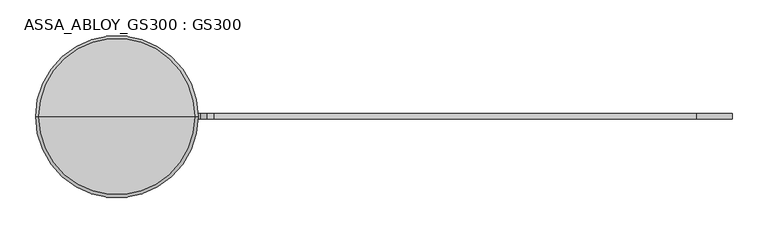
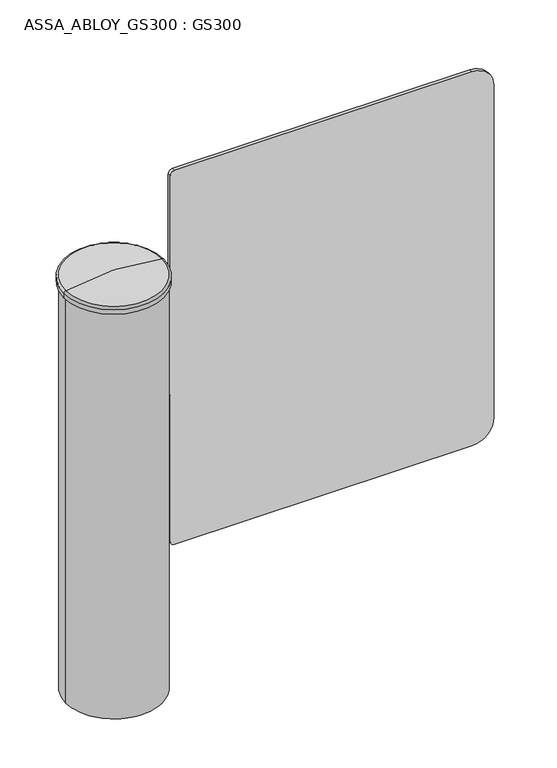
"""IFC4 building model written with IfcOpenShell, lengths in millimetres: proxy geometry, ASSA_ABLOY_GS300 : GS300."""

from ifc_helpers import new_model, si_unit, point, frame, frame_2d, origin, origin_with_axes, origin_2d, place, context, project, spatial, polyline, circle_curve, ellipse_curve, trimmed, segment, composite_curve, outline, extrude, source, transform, mapped, element, save
from ifc_brep_helpers import plane_surface, cylinder_surface, revolved_surface, advanced_brep


def assa_abloy_gs300_gs300_73ec193e(model_context):
    return source(origin(), model_context, "Body", "SolidModel", [
        advanced_brep(
        [(-109.55, 0.0, 979.0), (109.55, 0.0, 979.0), (-109.55, 0.0, 2.0), (109.55, 0.0, 2.0), (109.55, 0.0, 666.0), (109.3261291, -7.0, 666.0), (109.3261291, -7.0, 936.0), (109.55, 0.0, 936.0), (109.3261291, 7.0, 936.0), (109.3261291, 7.0, 666.0)],
        [
            (0, 1, circle_curve(frame((0.0, 0.0, 979.0), z_axis=(0.0, 0.0, 1.0), x_axis=(1.0, 0.0, 0.0)), 109.55)),
            (1, 0, circle_curve(frame((0.0, 0.0, 979.0), z_axis=(0.0, 0.0, 1.0), x_axis=(1.0, 0.0, 0.0)), 109.55)),
            (2, 3, circle_curve(frame((0.0, 0.0, 2.0), z_axis=(0.0, 0.0, -1.0), x_axis=(1.0, 0.0, 0.0)), 109.55)),
            (3, 2, circle_curve(frame((0.0, 0.0, 2.0), z_axis=(0.0, 0.0, -1.0), x_axis=(1.0, 0.0, 0.0)), 109.55)),
            (0, 2),
            (3, 4),
            (4, 5, circle_curve(frame((0.0, 0.0, 666.0), z_axis=(0.0, 0.0, -1.0), x_axis=(1.0, 0.0, 0.0)), 109.55)),
            (5, 6),
            (6, 7, circle_curve(frame((0.0, 0.0, 936.0), z_axis=(0.0, 0.0, 1.0), x_axis=(1.0, 0.0, 0.0)), 109.55)),
            (7, 1),
            (7, 8, circle_curve(frame((0.0, 0.0, 936.0), z_axis=(0.0, 0.0, 1.0), x_axis=(1.0, 0.0, 0.0)), 109.55)),
            (8, 9),
            (9, 4, circle_curve(frame((0.0, 0.0, 666.0), z_axis=(0.0, 0.0, -1.0), x_axis=(1.0, 0.0, 0.0)), 109.55)),
            (9, 5),
            (6, 8),
        ],
        [
            plane_surface(frame((109.55, 0.0, 979.0), z_axis=(0.0, 0.0, 1.0), x_axis=(0.0, 1.0, 0.0))),
            plane_surface(frame((109.55, 0.0, 2.0), z_axis=(0.0, 0.0, -1.0), x_axis=(0.0, -1.0, 0.0))),
            cylinder_surface(frame((0.0, 0.0, 2.0), z_axis=(0.0, 0.0, 1.0), x_axis=(1.0, 0.0, 0.0)), 109.55),
            plane_surface(frame((109.3261291, -20.0, 666.0), z_axis=(0.0, 0.0, 1.0), x_axis=(0.0, 1.0, 0.0))),
            plane_surface(frame((121.5911932, -20.0, 936.0), z_axis=(0.0, 0.0, -1.0), x_axis=(0.0, 1.0, 0.0))),
            plane_surface(frame((109.3261291, -20.0, 936.0), z_axis=(1.0, 0.0, 0.0), x_axis=(0.0, 1.0, 0.0))),
        ],
        [
            (0, [[1, 2]]),
            (1, [[3, 4]]),
            (2, [[-1, 5, -4, 6, 7, 8, 9, 10]]),
            (2, [[-2, -10, 11, 12, 13, -6, -3, -5]]),
            (3, [[14, -7, -13]]),
            (4, [[15, -11, -9]]),
            (5, [[-14, -12, -15, -8]]),
        ],
    ),
        advanced_brep(
        [(-110.0046083, 0.0, 994.8350037), (110.0046083, 0.0, 994.8350037), (114.0, 0.0, 989.9369671), (-114.0, 0.0, 989.9369671), (0.0, 0.0, 1006.0), (-114.0, 0.0, 979.0), (114.0, 0.0, 979.0), (0.0, 0.0, 979.0)],
        [
            (0, 1, circle_curve(frame((0.0, 0.0, 994.8350037), z_axis=(0.0, 0.0, -1.0), x_axis=(1.0, 0.0, 0.0)), 110.0046083)),
            (1, 2, circle_curve(frame((109.0, 0.0, 989.9369671), z_axis=(0.0, 1.0, 0.0), x_axis=(1.0, 0.0, 0.0)), 5.0)),
            (2, 3, circle_curve(frame((0.0, 0.0, 989.9369671), z_axis=(0.0, 0.0, 1.0), x_axis=(1.0, 0.0, 0.0)), 114.0)),
            (3, 0, circle_curve(frame((-109.0, 0.0, 989.9369671), z_axis=(0.0, 1.0, 0.0), x_axis=(-1.0, 0.0, 0.0)), 5.0)),
            (1, 0, circle_curve(frame((0.0, 0.0, 994.8350037), z_axis=(0.0, 0.0, -1.0), x_axis=(1.0, 0.0, 0.0)), 110.0046083)),
            (3, 2, circle_curve(frame((0.0, 0.0, 989.9369671), z_axis=(0.0, 0.0, 1.0), x_axis=(1.0, 0.0, 0.0)), 114.0)),
            (4, 1, circle_curve(frame((0.0, 0.0, 458.5), z_axis=(0.0, 1.0, 0.0), x_axis=(1.0, 0.0, 0.0)), 547.5)),
            (0, 4, circle_curve(frame((0.0, 0.0, 458.5), z_axis=(0.0, 1.0, 0.0), x_axis=(-1.0, 0.0, 0.0)), 547.5)),
            (5, 6, circle_curve(frame((0.0, 0.0, 979.0), z_axis=(0.0, 0.0, -1.0), x_axis=(1.0, 0.0, 0.0)), 114.0)),
            (6, 7),
            (7, 5),
            (6, 5, circle_curve(frame((0.0, 0.0, 979.0), z_axis=(0.0, 0.0, -1.0), x_axis=(1.0, 0.0, 0.0)), 114.0)),
            (2, 6),
            (5, 3),
        ],
        [
            revolved_surface(trimmed(ellipse_curve(frame((109.0, 0.0, 989.9369671), z_axis=(0.0, -1.0, 0.0), x_axis=(1.0, 0.0, 0.0)), 5.0, 5.0), [point((114.0, 0.0, 989.9369671))], [point((110.0046083, 0.0, 994.8350037))], True, "CARTESIAN"), (0.0, 0.0, 2199.8182697), (0.0, 0.0, 1.0)),
            revolved_surface(trimmed(ellipse_curve(frame((0.0, 0.0, 458.5), z_axis=(0.0, -1.0, 0.0), x_axis=(1.0, 0.0, 0.0)), 547.5, 547.5), [point((110.0046083, 0.0, 994.8350037))], [point((0.0, 0.0, 1006.0))], True, "CARTESIAN"), (0.0, 0.0, 2199.8182697), (0.0, 0.0, 1.0)),
            plane_surface(frame((0.0, 0.0, 979.0), z_axis=(0.0, 0.0, -1.0), x_axis=(1.0, 0.0, 0.0))),
            cylinder_surface(frame((0.0, 0.0, 2199.8182697), z_axis=(0.0, 0.0, 1.0), x_axis=(1.0, 0.0, 0.0)), 114.0),
        ],
        [
            (0, [[1, 2, 3, 4]]),
            (0, [[5, -4, 6, -2]]),
            (1, [[7, -1, 8]]),
            (1, [[-8, -5, -7]]),
            (2, [[9, 10, 11]]),
            (2, [[12, -11, -10]]),
            (3, [[-3, 13, -9, 14]]),
            (3, [[-6, -14, -12, -13]]),
        ],
    ),
        extrude(outline(composite_curve([segment(trimmed(circle_curve(origin_2d(), 103.5), [point((-103.5, 0.0))], [point((103.5, 0.0))], False, "CARTESIAN"), True, "CONTINUOUS"), segment(trimmed(circle_curve(origin_2d(), 103.5), [point((103.5, 0.0))], [point((-103.5, 0.0))], False, "CARTESIAN"), True, "CONTINUOUS")], self_intersect=False)), origin_with_axes(), (0.0, 0.0, 1.0), 2.0),
        extrude(outline(composite_curve([segment(polyline([(1190.0, 126.7822652), (943.5, 126.7822652)]), True, "CONTINUOUS"), segment(trimmed(circle_curve(frame_2d((943.5, 116.7822652)), 10.0), [point((943.5, 126.7822652))], [point((933.5, 116.7822652))], True, "CARTESIAN"), True, "CONTINUOUS"), segment(polyline([(933.5, 116.7822652), (933.5, 109.3261291), (668.5, 109.3261291), (668.5, 116.7822652)]), True, "CONTINUOUS"), segment(trimmed(circle_curve(frame_2d((658.5, 116.7822652)), 10.0), [point((668.5, 116.7822652))], [point((658.5, 126.7822652))], True, "CARTESIAN"), True, "CONTINUOUS"), segment(polyline([(658.5, 126.7822652), (310.0, 126.7822652)]), True, "CONTINUOUS"), segment(trimmed(circle_curve(frame_2d((310.0, 136.7822652)), 10.0), [point((310.0, 126.7822652))], [point((300.0, 136.7822652))], False, "CARTESIAN"), True, "CONTINUOUS"), segment(polyline([(300.0, 136.7822652), (300.0, 814.0)]), True, "CONTINUOUS"), segment(trimmed(circle_curve(frame_2d((350.0, 814.0)), 50.0), [point((300.0, 814.0))], [point((350.0, 864.0))], False, "CARTESIAN"), True, "CONTINUOUS"), segment(polyline([(350.0, 864.0), (1150.0, 864.0)]), True, "CONTINUOUS"), segment(trimmed(circle_curve(frame_2d((1150.0, 814.0)), 50.0), [point((1150.0, 864.0))], [point((1200.0, 814.0))], False, "CARTESIAN"), True, "CONTINUOUS"), segment(polyline([(1200.0, 814.0), (1200.0, 136.7822652)]), True, "CONTINUOUS"), segment(trimmed(circle_curve(frame_2d((1190.0, 136.7822652)), 10.0), [point((1200.0, 136.7822652))], [point((1190.0, 126.7822652))], False, "CARTESIAN"), True, "CONTINUOUS")], self_intersect=False)), frame((0.0, -3.5, 0.0), z_axis=(0.0, 1.0, 0.0), x_axis=(0.0, 0.0, 1.0)), (0.0, 0.0, 1.0), 8.0),
    ])


if __name__ == "__main__":
    model = new_model("IFC4")
    model_context = context("Model", 3, world=origin())
    ifc_project = project(units=[si_unit("LENGTHUNIT", "METRE", prefix="MILLI")], contexts=[model_context])
    site = spatial("IfcSite", under=ifc_project)
    building = spatial("IfcBuilding", under=site)
    placement = place(None, origin())
    assa_abloy_gs300_gs300_shape = assa_abloy_gs300_gs300_73ec193e(model_context)
    element("IfcBuildingElementProxy", 1, Name="ASSA_ABLOY_GS300 : GS300", ObjectType="ASSA_ABLOY_GS300 : GS300", at=placement, inside=building, context=model_context, shape_type="MappedRepresentation", body=[
        mapped(assa_abloy_gs300_gs300_shape, transform((0.0, 0.0, 0.0), x_axis=(1.0, 0.0, 0.0), y_axis=(0.0, 1.0, 0.0), z_axis=(0.0, 0.0, 1.0))),
    ])
    save(model, "model.ifc")
